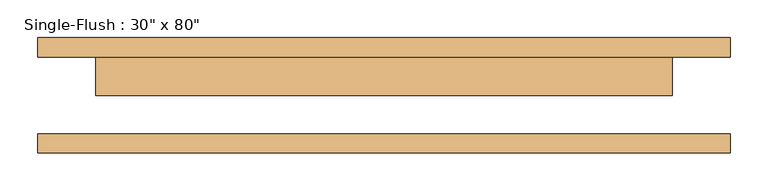
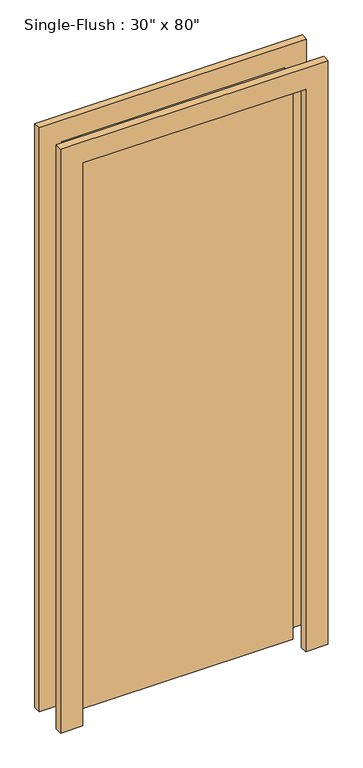
"""IFC4 building model written with IfcOpenShell, lengths in millimetres: door geometry."""

from ifc_helpers import new_model, si_unit, frame, origin, origin_with_axes, place, context, project, spatial, polyline, outline, extrude, source, transform, mapped, element, save


def door_29583826(model_context):
    return source(origin(), model_context, "Body", "SweptSolid", [
        extrude(outline(polyline([(2108.2, -457.2), (0.0, -457.2), (0.0, -381.0), (2032.0, -381.0), (2032.0, 381.0), (0.0, 381.0), (0.0, 457.2), (2108.2, 457.2), (2108.2, -457.2)])), frame((0.0, 50.8, 0.0), z_axis=(0.0, 1.0, 0.0), x_axis=(0.0, 0.0, 1.0)), (0.0, 0.0, 1.0), 25.4),
        extrude(outline(polyline([(2108.2, 457.2), (2108.2, -457.2), (0.0, -457.2), (0.0, -381.0), (2032.0, -381.0), (2032.0, 381.0), (0.0, 381.0), (0.0, 457.2), (2108.2, 457.2)])), frame((0.0, -76.2, 0.0), z_axis=(0.0, 1.0, 0.0), x_axis=(0.0, 0.0, 1.0)), (0.0, 0.0, 1.0), 25.4),
        extrude(outline(polyline([(381.0, 0.0), (-381.0, 0.0), (-381.0, 50.8), (381.0, 50.8), (381.0, 0.0)])), origin_with_axes(), (0.0, 0.0, 1.0), 2032.0),
    ])


if __name__ == "__main__":
    model = new_model("IFC4")
    model_context = context("Model", 3, world=origin())
    ifc_project = project(units=[si_unit("LENGTHUNIT", "METRE", prefix="MILLI")], contexts=[model_context])
    site = spatial("IfcSite", under=ifc_project)
    building = spatial("IfcBuilding", under=site)
    placement = place(None, origin())
    door_shape = door_29583826(model_context)
    element("IfcDoor", 1, ObjectType="Single-Flush : 30\" x 80\"", at=placement, inside=building, context=model_context, shape_type="MappedRepresentation", body=[
        mapped(door_shape, transform((0.0, 0.0, 0.0), x_axis=(1.0, 0.0, 0.0), y_axis=(0.0, 1.0, 0.0), z_axis=(0.0, 0.0, 1.0))),
    ])
    save(model, "model.ifc")
